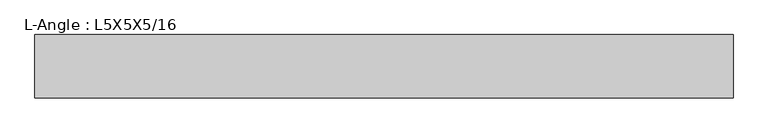
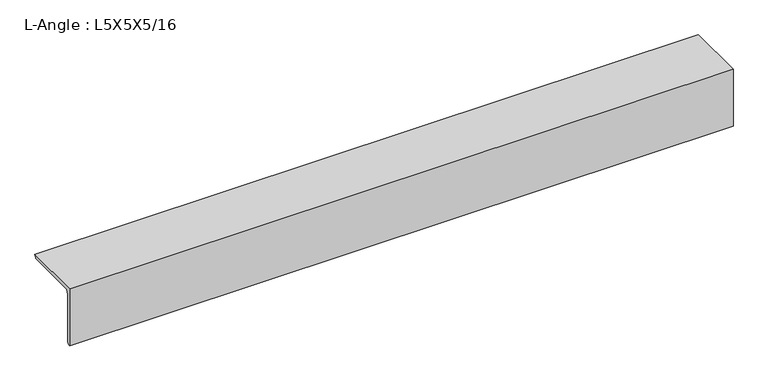
"""IFC4 building model written with IfcOpenShell, lengths in millimetres: beam geometry, L-Angle : L5X5X5/16."""

from ifc_helpers import new_model, si_unit, point, frame, frame_2d, origin, place, context, project, spatial, polyline, circle_curve, trimmed, segment, composite_curve, outline, extrude, source, transform, mapped, element, save


def l_angle_l5x5x5_16_c9ff4435(model_context):
    return source(origin(), model_context, "Body", "SweptSolid", [
        extrude(outline(composite_curve([segment(polyline([(-34.3296875, 34.3296875), (92.6703125, 34.3296875)]), True, "CONTINUOUS"), segment(trimmed(circle_curve(frame_2d((84.7328125, 34.3296875)), 7.9375), [point((92.6703125, 34.3296875))], [point((84.7328125, 26.3921875))], False, "CARTESIAN"), True, "CONTINUOUS"), segment(polyline([(84.7328125, 26.3921875), (-18.4546875, 26.3921875)]), True, "CONTINUOUS"), segment(trimmed(circle_curve(frame_2d((-18.4546875, 18.4546875)), 7.9375), [point((-18.4546875, 26.3921875))], [point((-26.3921875, 18.4546875))], True, "CARTESIAN"), True, "CONTINUOUS"), segment(polyline([(-26.3921875, 18.4546875), (-26.3921875, -84.7328125)]), True, "CONTINUOUS"), segment(trimmed(circle_curve(frame_2d((-34.3296875, -84.7328125)), 7.9375), [point((-26.3921875, -84.7328125))], [point((-34.3296875, -92.6703125))], False, "CARTESIAN"), True, "CONTINUOUS"), segment(polyline([(-34.3296875, -92.6703125), (-34.3296875, 34.3296875)]), True, "CONTINUOUS")], self_intersect=False)), frame((-698.9960937, 0.0, 0.0), z_axis=(1.0, 0.0, 0.0), x_axis=(0.0, 1.0, 0.0)), (0.0, 0.0, 1.0), 1397.9921875),
    ])


if __name__ == "__main__":
    model = new_model("IFC4")
    model_context = context("Model", 3, world=origin())
    ifc_project = project(units=[si_unit("LENGTHUNIT", "METRE", prefix="MILLI")], contexts=[model_context])
    site = spatial("IfcSite", under=ifc_project)
    building = spatial("IfcBuilding", under=site)
    placement = place(None, origin())
    l_angle_l5x5x5_16_shape = l_angle_l5x5x5_16_c9ff4435(model_context)
    element("IfcBeam", 1, ObjectType="L-Angle : L5X5X5/16", at=placement, inside=building, context=model_context, shape_type="MappedRepresentation", body=[
        mapped(l_angle_l5x5x5_16_shape, transform((0.0, 0.0, 0.0), x_axis=(1.0, 0.0, 0.0), y_axis=(0.0, 1.0, 0.0), z_axis=(0.0, 0.0, 1.0))),
    ])
    save(model, "model.ifc")
